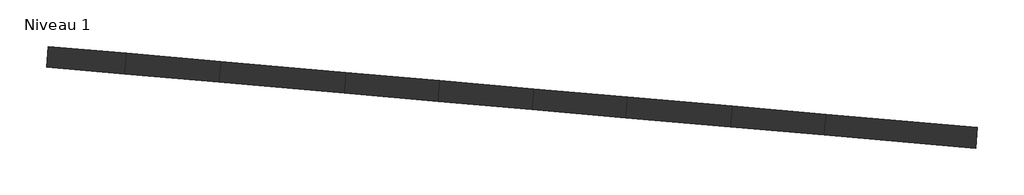
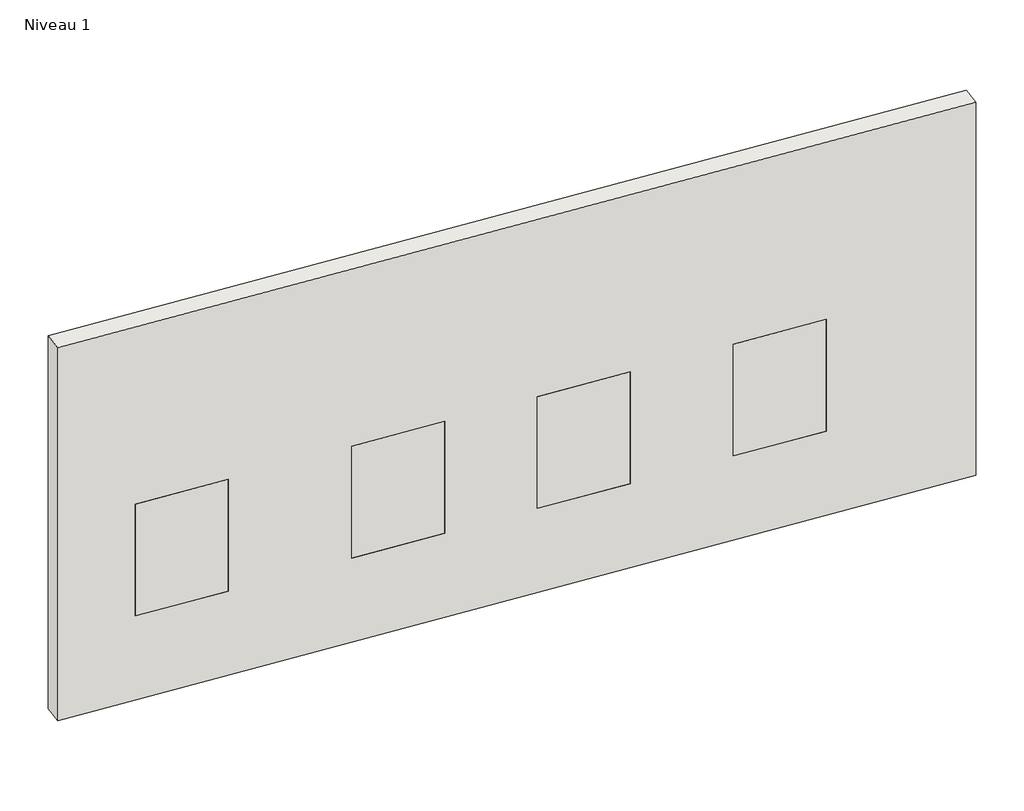
# One storey: 5 walls.
"""IFC4 building model written with IfcOpenShell, lengths in millimetres."""

from ifc_helpers import new_model, si_unit, frame, origin, place, context, project, spatial, polyline, outline, extrude, element, save

model = new_model("IFC4")

# Units and contexts
model_context = context("Model", 3, world=origin())
ifc_project = project(units=[si_unit("LENGTHUNIT", "METRE", prefix="MILLI")], contexts=[model_context])

# Site, building, storey
site = spatial("IfcSite", under=ifc_project)
building = spatial("IfcBuilding", under=site)
storey = spatial("IfcBuildingStorey", under=building, Name="Niveau 1", Elevation=0.0)

# Walls
placement = place(None, origin())
element("IfcWall", 1, ObjectType="Mur 1", at=placement, inside=storey, context=model_context, shape_type="SweptSolid", body=[
    extrude(outline(polyline([(0.0, 0.0), (8900.0, 0.0), (8900.0, -4000.0), (0.0, -4000.0), (0.0, 0.0)]), holes=[polyline([(7450.0, -2100.0), (7450.0, -900.0), (6550.0, -900.0), (6550.0, -2100.0), (7450.0, -2100.0)]), polyline([(5550.0, -2100.0), (5550.0, -900.0), (4650.0, -900.0), (4650.0, -2100.0), (5550.0, -2100.0)]), polyline([(3750.0, -2100.0), (3750.0, -900.0), (2849.9999999, -900.0), (2849.9999999, -2100.0), (3750.0, -2100.0)]), polyline([(1650.0, -2100.0), (1650.0, -900.0), (750.0, -900.0), (750.0, -2100.0), (1650.0, -2100.0)])]), frame((-851.8284896, -2740.631637, 0.0), z_axis=(0.08715574274766137, 0.9961946980917453, 0.0), x_axis=(0.9961946980917453, -0.08715574274766137, 0.0)), (0.0, 0.0, 1.0), 200.0),
])
element("IfcWall", 2, ObjectType="Mur 1", at=placement, inside=storey, context=model_context, shape_type="SweptSolid", body=[
    extrude(outline(polyline([(6587.2531597, -3190.7029809), (6569.8220112, -3389.9419205), (5673.2467829, -3311.501752), (5690.6779314, -3112.2628124), (6587.2531597, -3190.7029809)])), frame((0.0, 0.0, 900.0), z_axis=(0.0, 0.0, 1.0), x_axis=(1.0, 0.0, 0.0)), (0.0, 0.0, 1.0), 1200.0),
])
element("IfcWall", 3, ObjectType="Mur 1", at=placement, inside=storey, context=model_context, shape_type="SweptSolid", body=[
    extrude(outline(polyline([(4694.4832333, -3025.1070697), (4677.0520848, -3224.3460093), (3780.4768565, -3145.9058408), (3797.9080051, -2946.6669012), (4694.4832333, -3025.1070697)])), frame((0.0, 0.0, 900.0), z_axis=(0.0, 0.0, 1.0), x_axis=(1.0, 0.0, 0.0)), (0.0, 0.0, 1.0), 1200.0),
])
element("IfcWall", 4, ObjectType="Mur 1", at=placement, inside=storey, context=model_context, shape_type="SweptSolid", body=[
    extrude(outline(polyline([(2901.3327768, -2868.2267327), (2883.9016282, -3067.4656723), (1987.3263999, -2989.0255039), (2004.7575485, -2789.7865642), (2901.3327768, -2868.2267327)])), frame((0.0, 0.0, 900.0), z_axis=(0.0, 0.0, 1.0), x_axis=(1.0, 0.0, 0.0)), (0.0, 0.0, 1.0), 1200.0),
])
element("IfcWall", 5, ObjectType="Mur 1", at=placement, inside=storey, context=model_context, shape_type="SweptSolid", body=[
    extrude(outline(polyline([(809.3239108, -2685.1996729), (791.8927622, -2884.4386126), (-104.682466, -2805.9984441), (-87.2513175, -2606.7595045), (809.3239108, -2685.1996729)])), frame((0.0, 0.0, 900.0), z_axis=(0.0, 0.0, 1.0), x_axis=(1.0, 0.0, 0.0)), (0.0, 0.0, 1.0), 1200.0),
])

save(model, "model.ifc")
